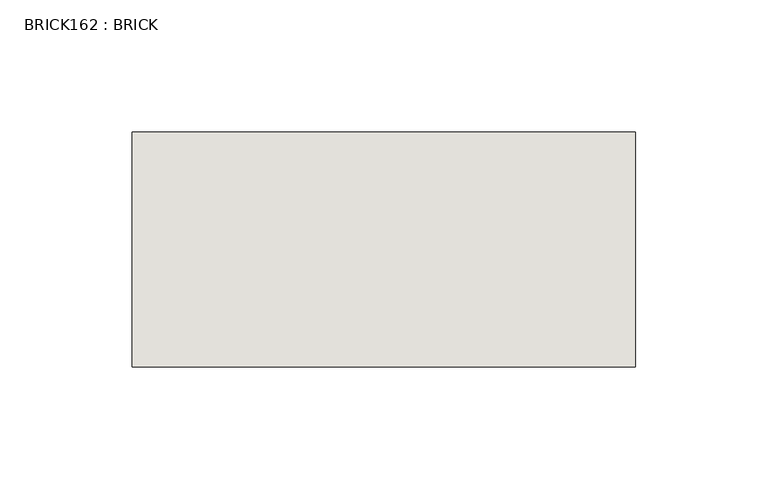
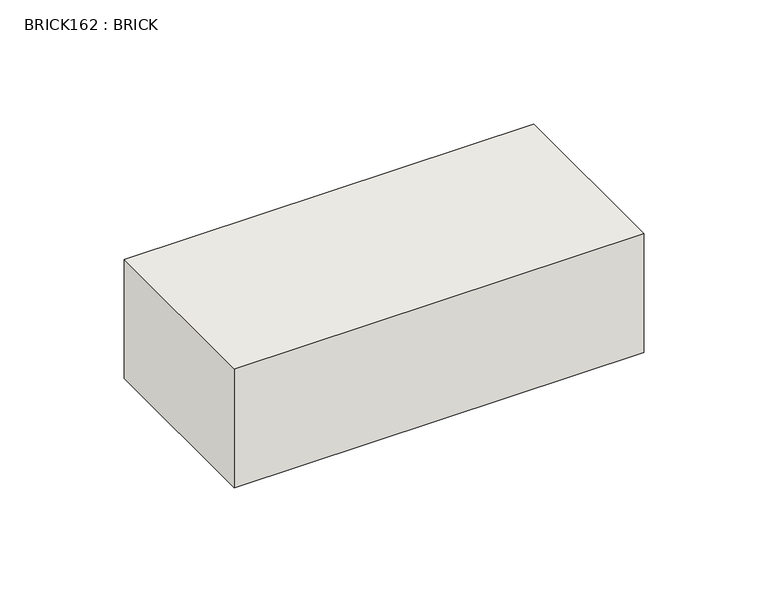
"""IFC4 building model written with IfcOpenShell, lengths in millimetres: wall geometry, BRICK162 : BRICK."""

from ifc_helpers import new_model, si_unit, frame, origin, place, context, project, spatial, polyline, outline, extrude, source, transform, mapped, element, save


def brick162_brick_95ec0ae9(model_context):
    return source(origin(), model_context, "Body", "SweptSolid", [
        extrude(outline(polyline([(44.0683761, 3062.3923312), (234.5683761, 3062.3923312), (234.5683761, 2973.4923312), (44.0683761, 2973.4923312), (44.0683761, 3062.3923312)])), frame((0.0, 0.0, 74.3148438), z_axis=(0.0, 0.0, 1.0), x_axis=(1.0, 0.0, 0.0)), (0.0, 0.0, 1.0), 58.4398437),
    ])


if __name__ == "__main__":
    model = new_model("IFC4")
    model_context = context("Model", 3, world=origin())
    ifc_project = project(units=[si_unit("LENGTHUNIT", "METRE", prefix="MILLI")], contexts=[model_context])
    site = spatial("IfcSite", under=ifc_project)
    building = spatial("IfcBuilding", under=site)
    placement = place(None, origin())
    brick162_brick_shape = brick162_brick_95ec0ae9(model_context)
    element("IfcWall", 1, ObjectType="BRICK162 : BRICK", at=placement, inside=building, context=model_context, shape_type="MappedRepresentation", body=[
        mapped(brick162_brick_shape, transform((0.0, 0.0, 0.0), x_axis=(1.0, 0.0, 0.0), y_axis=(0.0, 1.0, 0.0), z_axis=(0.0, 0.0, 1.0))),
    ])
    save(model, "model.ifc")
